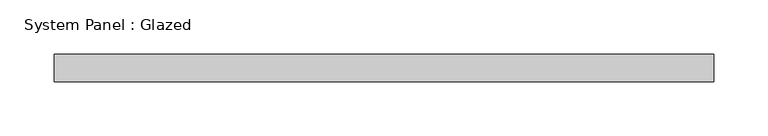
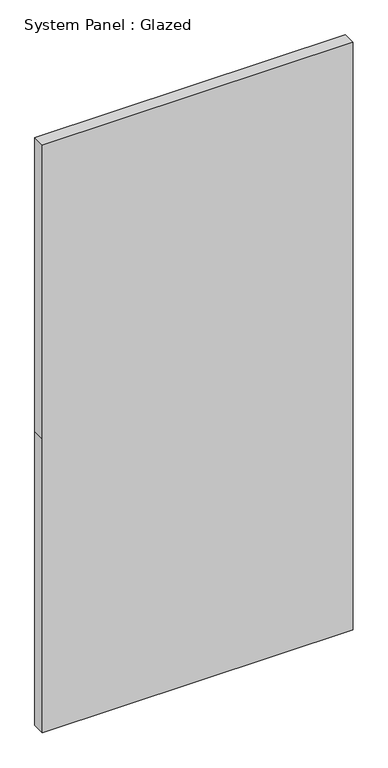
"""IFC4 building model written with IfcOpenShell, lengths in millimetres: plate geometry, System Panel : Glazed."""

import ifcopenshell
import ifcopenshell.guid

model = None  # the IFC model being written
_history = None  # IfcOwnerHistory: only IFC2X3 demands one
_inside = {}  # id of a spatial element -> (the spatial element, [elements in it])
_under = {}  # id of a project, library or spatial element -> (it, [spatial elements below it])
_declared = {}  # id of a project -> (the project, [libraries it declares])
_typed = {}  # id of a type object -> (the type object, [elements of that type])
_made_of = {}  # id of a material, layer set ... -> (it, [elements and type objects made of it])


def new_model(schema):
    """Start an empty IFC model of exactly this schema.

    Asked for "IFC4X3", IfcOpenShell would pick the latest addendum, in which some entities
    have other attributes; the version numbers below select the first issue.
    IFC2X3 requires an IfcOwnerHistory on every rooted entity: one is made here for all.
    """
    global model, _history
    if schema == "IFC4X3":
        model = ifcopenshell.file(schema_version=(4, 3, 0, 0))
    else:
        model = ifcopenshell.file(schema=schema)
    _inside.clear()
    _under.clear()
    _declared.clear()
    _typed.clear()
    _made_of.clear()
    _history = None
    if model.schema == "IFC2X3":
        org = make("IfcOrganization", Name="unknown")
        user = make(
            "IfcPersonAndOrganization",
            ThePerson=make("IfcPerson", FamilyName="unknown"),
            TheOrganization=org,
        )
        app = make(
            "IfcApplication",
            ApplicationDeveloper=org,
            Version="unknown",
            ApplicationFullName="unknown",
            ApplicationIdentifier="unknown",
        )
        _history = make(
            "IfcOwnerHistory",
            OwningUser=user,
            OwningApplication=app,
            ChangeAction="ADDED",
            CreationDate=0,
        )
    return model


def make(cls, **values):
    """One entity of the class cls with the attributes given. An attribute that is None is left unset."""
    return model.create_entity(
        cls, **{name: value for name, value in values.items() if value is not None}
    )


def rooted(cls, **values):
    """An entity with a GlobalId (a new one), such as an element, a storey or a relation."""
    return make(cls, GlobalId=ifcopenshell.guid.new(), OwnerHistory=_history, **values)


def si_unit(unit_type, name, prefix=None):
    """IfcSIUnit, for example si_unit("LENGTHUNIT", "METRE", prefix="MILLI")."""
    return make("IfcSIUnit", UnitType=unit_type, Prefix=prefix, Name=name)


def assignment(units):
    """IfcUnitAssignment: the units of a project."""
    return None if units is None else make("IfcUnitAssignment", Units=units)


def point(xyz):
    """IfcCartesianPoint."""
    return None if xyz is None else make("IfcCartesianPoint", Coordinates=xyz)


def direction(xyz):
    """IfcDirection."""
    return None if xyz is None else make("IfcDirection", DirectionRatios=xyz)


def frame(location, z_axis=None, x_axis=None):
    """IfcAxis2Placement3D, a coordinate frame: its origin and axes. An axis left out is left unset."""
    return make(
        "IfcAxis2Placement3D",
        Location=point(location),
        Axis=direction(z_axis),
        RefDirection=direction(x_axis),
    )


def origin():
    """The frame at (0, 0, 0) with its axes left unset."""
    return frame((0.0, 0.0, 0.0))


def place(relative_to, where):
    """IfcLocalPlacement: puts the frame where relative to a parent placement (None: the world)."""
    return make(
        "IfcLocalPlacement", PlacementRelTo=relative_to, RelativePlacement=where
    )


def context(
    kind, dimensions, precision=None, world=None, true_north=None, identifier=None
):
    """IfcGeometricRepresentationContext, for example the 3D "Model" context."""
    return make(
        "IfcGeometricRepresentationContext",
        ContextIdentifier=identifier,
        ContextType=kind,
        CoordinateSpaceDimension=dimensions,
        Precision=precision,
        WorldCoordinateSystem=world,
        TrueNorth=true_north,
    )


def project(units=None, contexts=None):
    """IfcProject with its units and contexts."""
    return rooted(
        "IfcProject",
        Name="project",
        RepresentationContexts=contexts,
        UnitsInContext=assignment(units),
    )


def spatial(cls, under=None, at=None, **own):
    """A site, building, storey or space (cls), placed at a placement, below another one or the project."""
    s = rooted(cls, ObjectPlacement=at, **own)
    if under is not None:
        _under.setdefault(under.id(), (under, []))[1].append(s)
    return s


def polyline(points):
    """IfcPolyline through the points."""
    return make("IfcPolyline", Points=[point(p) for p in points])


def outline(outer, holes=None, kind="AREA"):
    """IfcArbitraryClosedProfileDef: a profile drawn as a closed curve; with holes, ...WithVoids."""
    if holes is None:
        return make("IfcArbitraryClosedProfileDef", ProfileType=kind, OuterCurve=outer)
    return make(
        "IfcArbitraryProfileDefWithVoids",
        ProfileType=kind,
        OuterCurve=outer,
        InnerCurves=holes,
    )


def extrude(swept, where, along, depth):
    """IfcExtrudedAreaSolid: the profile swept, set in the frame where, extruded along a direction by depth."""
    return make(
        "IfcExtrudedAreaSolid",
        SweptArea=swept,
        Position=where,
        ExtrudedDirection=direction(along),
        Depth=depth,
    )


def shape(context_of_items, identifier, shape_type, items):
    """IfcShapeRepresentation: the items that make up one representation, for example the "Body"."""
    return make(
        "IfcShapeRepresentation",
        ContextOfItems=context_of_items,
        RepresentationIdentifier=identifier,
        RepresentationType=shape_type,
        Items=items,
    )


def source(mapping_origin, context_of_items, identifier, shape_type, items):
    """IfcRepresentationMap: a shape defined once, which mapped items show again and again."""
    return make(
        "IfcRepresentationMap",
        MappingOrigin=mapping_origin,
        MappedRepresentation=shape(context_of_items, identifier, shape_type, items),
    )


def transform(
    local_origin,
    x_axis=None,
    y_axis=None,
    z_axis=None,
    scale=None,
    scale2=None,
    scale3=None,
    uniform=True,
):
    """IfcCartesianTransformationOperator3D, or its non-uniform kind. x_axis, y_axis, z_axis: its Axis1, 2, 3."""
    if uniform:
        return make(
            "IfcCartesianTransformationOperator3D",
            Axis1=direction(x_axis),
            Axis2=direction(y_axis),
            LocalOrigin=point(local_origin),
            Scale=scale,
            Axis3=direction(z_axis),
        )
    return make(
        "IfcCartesianTransformationOperator3DnonUniform",
        Axis1=direction(x_axis),
        Axis2=direction(y_axis),
        LocalOrigin=point(local_origin),
        Scale=scale,
        Axis3=direction(z_axis),
        Scale2=scale2,
        Scale3=scale3,
    )


def mapped(mapping_source, mapping_target):
    """IfcMappedItem: shows the shape of a source again, moved by a transform."""
    return make(
        "IfcMappedItem", MappingSource=mapping_source, MappingTarget=mapping_target
    )


def made_of(thing, what):
    """Note that an element or type object is made of a material, layer set ...; save() writes the relation."""
    if what is not None:
        _made_of.setdefault(what.id(), (what, []))[1].append(thing)
    return thing


def element(
    cls,
    number,
    at=None,
    inside=None,
    cuts=None,
    type_object=None,
    material=None,
    context=None,
    identifier="Body",
    shape_type=None,
    held_by="IfcProductDefinitionShape",
    body=None,
    shapes=None,
    **own,
):
    """One element of the class cls, such as IfcWall. Its Tag is "e" and its number.

    at: its placement. inside: the storey or other place that contains it. cuts: it is an
    opening in that element (IfcRelVoidsElement). A single representation is given by context,
    identifier, shape_type and body (its items); several are given by shapes. held_by: the class
    of the entity that holds the representations. save() writes the other relations.
    """
    e = rooted(cls, Tag="e%d" % number, ObjectPlacement=at, **own)
    if body is not None:
        shapes = [shape(context, identifier, shape_type, body)]
    if shapes is not None:
        e.Representation = make(held_by, Representations=shapes)
    if inside is not None:
        _inside.setdefault(inside.id(), (inside, []))[1].append(e)
    if cuts is not None:
        rooted(
            "IfcRelVoidsElement", RelatingBuildingElement=cuts, RelatedOpeningElement=e
        )
    if type_object is not None:
        _typed.setdefault(type_object.id(), (type_object, []))[1].append(e)
    return made_of(e, material)


def aggregate(whole, parts):
    """IfcRelAggregates: a whole, such as a stair, and the parts it consists of."""
    return rooted("IfcRelAggregates", RelatingObject=whole, RelatedObjects=parts)


def save(model, path):
    """Write the relations noted so far, then the file.

    IfcRelAggregates (storeys below a building ...), IfcRelContainedInSpatialStructure (elements
    in a storey), IfcRelDefinesByType, IfcRelAssociatesMaterial and IfcRelDeclares: one each for
    every whole, place, type object, material and project.
    """
    for whole, parts in _under.values():
        aggregate(whole, parts)
    for where, things in _inside.values():
        rooted(
            "IfcRelContainedInSpatialStructure",
            RelatedElements=things,
            RelatingStructure=where,
        )
    for kind, things in _typed.values():
        rooted("IfcRelDefinesByType", RelatedObjects=things, RelatingType=kind)
    for what, things in _made_of.values():
        rooted("IfcRelAssociatesMaterial", RelatedObjects=things, RelatingMaterial=what)
    for by, libraries in _declared.values():
        rooted("IfcRelDeclares", RelatingContext=by, RelatedDefinitions=libraries)
    model.write(path)


def system_panel_glazed_b14f9832(model_context):
    return source(origin(), model_context, "Body", "SweptSolid", [
        extrude(outline(polyline([(0.0, -304.8), (0.0, 304.8), (609.6, 304.8), (1219.2, 304.8), (1219.2, -304.8), (609.6, -304.8), (0.0, -304.8)])), frame((0.0, 19.05, 0.0), z_axis=(0.0, 1.0, 0.0), x_axis=(0.0, 0.0, 1.0)), (0.0, 0.0, 1.0), 25.4),
    ])


if __name__ == "__main__":
    model = new_model("IFC4")
    model_context = context("Model", 3, world=origin())
    ifc_project = project(units=[si_unit("LENGTHUNIT", "METRE", prefix="MILLI")], contexts=[model_context])
    site = spatial("IfcSite", under=ifc_project)
    building = spatial("IfcBuilding", under=site)
    placement = place(None, origin())
    system_panel_glazed_shape = system_panel_glazed_b14f9832(model_context)
    element("IfcPlate", 1, ObjectType="System Panel : Glazed", at=placement, inside=building, context=model_context, shape_type="MappedRepresentation", body=[
        mapped(system_panel_glazed_shape, transform((0.0, 0.0, 0.0), x_axis=(1.0, 0.0, 0.0), y_axis=(0.0, 1.0, 0.0), z_axis=(0.0, 0.0, 1.0))),
    ])
    save(model, "model.ifc")
